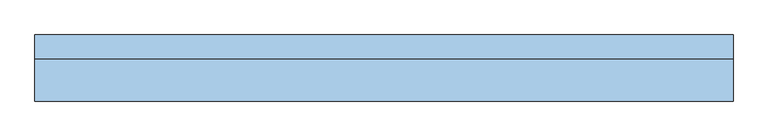
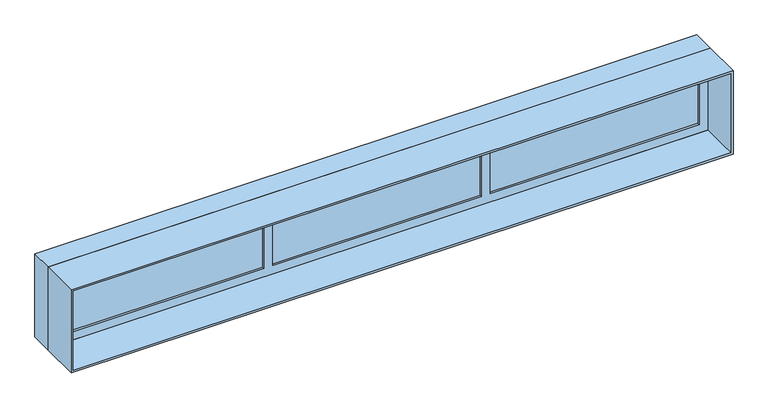
"""IFC4 building model written with IfcOpenShell, lengths in millimetres: window geometry."""

import ifcopenshell
import ifcopenshell.guid

model = None  # the IFC model being written
_history = None  # IfcOwnerHistory: only IFC2X3 demands one
_inside = {}  # id of a spatial element -> (the spatial element, [elements in it])
_under = {}  # id of a project, library or spatial element -> (it, [spatial elements below it])
_declared = {}  # id of a project -> (the project, [libraries it declares])
_typed = {}  # id of a type object -> (the type object, [elements of that type])
_made_of = {}  # id of a material, layer set ... -> (it, [elements and type objects made of it])


def new_model(schema):
    """Start an empty IFC model of exactly this schema.

    Asked for "IFC4X3", IfcOpenShell would pick the latest addendum, in which some entities
    have other attributes; the version numbers below select the first issue.
    IFC2X3 requires an IfcOwnerHistory on every rooted entity: one is made here for all.
    """
    global model, _history
    if schema == "IFC4X3":
        model = ifcopenshell.file(schema_version=(4, 3, 0, 0))
    else:
        model = ifcopenshell.file(schema=schema)
    _inside.clear()
    _under.clear()
    _declared.clear()
    _typed.clear()
    _made_of.clear()
    _history = None
    if model.schema == "IFC2X3":
        org = make("IfcOrganization", Name="unknown")
        user = make(
            "IfcPersonAndOrganization",
            ThePerson=make("IfcPerson", FamilyName="unknown"),
            TheOrganization=org,
        )
        app = make(
            "IfcApplication",
            ApplicationDeveloper=org,
            Version="unknown",
            ApplicationFullName="unknown",
            ApplicationIdentifier="unknown",
        )
        _history = make(
            "IfcOwnerHistory",
            OwningUser=user,
            OwningApplication=app,
            ChangeAction="ADDED",
            CreationDate=0,
        )
    return model


def make(cls, **values):
    """One entity of the class cls with the attributes given. An attribute that is None is left unset."""
    return model.create_entity(
        cls, **{name: value for name, value in values.items() if value is not None}
    )


def rooted(cls, **values):
    """An entity with a GlobalId (a new one), such as an element, a storey or a relation."""
    return make(cls, GlobalId=ifcopenshell.guid.new(), OwnerHistory=_history, **values)


def si_unit(unit_type, name, prefix=None):
    """IfcSIUnit, for example si_unit("LENGTHUNIT", "METRE", prefix="MILLI")."""
    return make("IfcSIUnit", UnitType=unit_type, Prefix=prefix, Name=name)


def assignment(units):
    """IfcUnitAssignment: the units of a project."""
    return None if units is None else make("IfcUnitAssignment", Units=units)


def point(xyz):
    """IfcCartesianPoint."""
    return None if xyz is None else make("IfcCartesianPoint", Coordinates=xyz)


def direction(xyz):
    """IfcDirection."""
    return None if xyz is None else make("IfcDirection", DirectionRatios=xyz)


def frame(location, z_axis=None, x_axis=None):
    """IfcAxis2Placement3D, a coordinate frame: its origin and axes. An axis left out is left unset."""
    return make(
        "IfcAxis2Placement3D",
        Location=point(location),
        Axis=direction(z_axis),
        RefDirection=direction(x_axis),
    )


def origin():
    """The frame at (0, 0, 0) with its axes left unset."""
    return frame((0.0, 0.0, 0.0))


def place(relative_to, where):
    """IfcLocalPlacement: puts the frame where relative to a parent placement (None: the world)."""
    return make(
        "IfcLocalPlacement", PlacementRelTo=relative_to, RelativePlacement=where
    )


def context(
    kind, dimensions, precision=None, world=None, true_north=None, identifier=None
):
    """IfcGeometricRepresentationContext, for example the 3D "Model" context."""
    return make(
        "IfcGeometricRepresentationContext",
        ContextIdentifier=identifier,
        ContextType=kind,
        CoordinateSpaceDimension=dimensions,
        Precision=precision,
        WorldCoordinateSystem=world,
        TrueNorth=true_north,
    )


def project(units=None, contexts=None):
    """IfcProject with its units and contexts."""
    return rooted(
        "IfcProject",
        Name="project",
        RepresentationContexts=contexts,
        UnitsInContext=assignment(units),
    )


def spatial(cls, under=None, at=None, **own):
    """A site, building, storey or space (cls), placed at a placement, below another one or the project."""
    s = rooted(cls, ObjectPlacement=at, **own)
    if under is not None:
        _under.setdefault(under.id(), (under, []))[1].append(s)
    return s


def polyline(points):
    """IfcPolyline through the points."""
    return make("IfcPolyline", Points=[point(p) for p in points])


def outline(outer, holes=None, kind="AREA"):
    """IfcArbitraryClosedProfileDef: a profile drawn as a closed curve; with holes, ...WithVoids."""
    if holes is None:
        return make("IfcArbitraryClosedProfileDef", ProfileType=kind, OuterCurve=outer)
    return make(
        "IfcArbitraryProfileDefWithVoids",
        ProfileType=kind,
        OuterCurve=outer,
        InnerCurves=holes,
    )


def extrude(swept, where, along, depth):
    """IfcExtrudedAreaSolid: the profile swept, set in the frame where, extruded along a direction by depth."""
    return make(
        "IfcExtrudedAreaSolid",
        SweptArea=swept,
        Position=where,
        ExtrudedDirection=direction(along),
        Depth=depth,
    )


def shape(context_of_items, identifier, shape_type, items):
    """IfcShapeRepresentation: the items that make up one representation, for example the "Body"."""
    return make(
        "IfcShapeRepresentation",
        ContextOfItems=context_of_items,
        RepresentationIdentifier=identifier,
        RepresentationType=shape_type,
        Items=items,
    )


def source(mapping_origin, context_of_items, identifier, shape_type, items):
    """IfcRepresentationMap: a shape defined once, which mapped items show again and again."""
    return make(
        "IfcRepresentationMap",
        MappingOrigin=mapping_origin,
        MappedRepresentation=shape(context_of_items, identifier, shape_type, items),
    )


def transform(
    local_origin,
    x_axis=None,
    y_axis=None,
    z_axis=None,
    scale=None,
    scale2=None,
    scale3=None,
    uniform=True,
):
    """IfcCartesianTransformationOperator3D, or its non-uniform kind. x_axis, y_axis, z_axis: its Axis1, 2, 3."""
    if uniform:
        return make(
            "IfcCartesianTransformationOperator3D",
            Axis1=direction(x_axis),
            Axis2=direction(y_axis),
            LocalOrigin=point(local_origin),
            Scale=scale,
            Axis3=direction(z_axis),
        )
    return make(
        "IfcCartesianTransformationOperator3DnonUniform",
        Axis1=direction(x_axis),
        Axis2=direction(y_axis),
        LocalOrigin=point(local_origin),
        Scale=scale,
        Axis3=direction(z_axis),
        Scale2=scale2,
        Scale3=scale3,
    )


def mapped(mapping_source, mapping_target):
    """IfcMappedItem: shows the shape of a source again, moved by a transform."""
    return make(
        "IfcMappedItem", MappingSource=mapping_source, MappingTarget=mapping_target
    )


def made_of(thing, what):
    """Note that an element or type object is made of a material, layer set ...; save() writes the relation."""
    if what is not None:
        _made_of.setdefault(what.id(), (what, []))[1].append(thing)
    return thing


def element(
    cls,
    number,
    at=None,
    inside=None,
    cuts=None,
    type_object=None,
    material=None,
    context=None,
    identifier="Body",
    shape_type=None,
    held_by="IfcProductDefinitionShape",
    body=None,
    shapes=None,
    **own,
):
    """One element of the class cls, such as IfcWall. Its Tag is "e" and its number.

    at: its placement. inside: the storey or other place that contains it. cuts: it is an
    opening in that element (IfcRelVoidsElement). A single representation is given by context,
    identifier, shape_type and body (its items); several are given by shapes. held_by: the class
    of the entity that holds the representations. save() writes the other relations.
    """
    e = rooted(cls, Tag="e%d" % number, ObjectPlacement=at, **own)
    if body is not None:
        shapes = [shape(context, identifier, shape_type, body)]
    if shapes is not None:
        e.Representation = make(held_by, Representations=shapes)
    if inside is not None:
        _inside.setdefault(inside.id(), (inside, []))[1].append(e)
    if cuts is not None:
        rooted(
            "IfcRelVoidsElement", RelatingBuildingElement=cuts, RelatedOpeningElement=e
        )
    if type_object is not None:
        _typed.setdefault(type_object.id(), (type_object, []))[1].append(e)
    return made_of(e, material)


def aggregate(whole, parts):
    """IfcRelAggregates: a whole, such as a stair, and the parts it consists of."""
    return rooted("IfcRelAggregates", RelatingObject=whole, RelatedObjects=parts)


def save(model, path):
    """Write the relations noted so far, then the file.

    IfcRelAggregates (storeys below a building ...), IfcRelContainedInSpatialStructure (elements
    in a storey), IfcRelDefinesByType, IfcRelAssociatesMaterial and IfcRelDeclares: one each for
    every whole, place, type object, material and project.
    """
    for whole, parts in _under.values():
        aggregate(whole, parts)
    for where, things in _inside.values():
        rooted(
            "IfcRelContainedInSpatialStructure",
            RelatedElements=things,
            RelatingStructure=where,
        )
    for kind, things in _typed.values():
        rooted("IfcRelDefinesByType", RelatedObjects=things, RelatingType=kind)
    for what, things in _made_of.values():
        rooted("IfcRelAssociatesMaterial", RelatedObjects=things, RelatingMaterial=what)
    for by, libraries in _declared.values():
        rooted("IfcRelDeclares", RelatingContext=by, RelatedDefinitions=libraries)
    model.write(path)


def window_d2a5ec6b(model_context):
    return source(origin(), model_context, "Body", "SweptSolid", [
        extrude(outline(polyline([(-786.6666667, 140.0), (-2180.0, 140.0), (-2180.0, 170.0), (-786.6666667, 170.0), (-786.6666667, 140.0)])), frame((0.0, 0.0, 875.0), z_axis=(0.0, 0.0, 1.0), x_axis=(1.0, 0.0, 0.0)), (0.0, 0.0, 1.0), 450.0),
        extrude(outline(polyline([(696.6666667, 140.0), (-726.6666667, 140.0), (-726.6666667, 170.0), (696.6666667, 170.0), (696.6666667, 140.0)])), frame((0.0, 0.0, 875.0), z_axis=(0.0, 0.0, 1.0), x_axis=(1.0, 0.0, 0.0)), (0.0, 0.0, 1.0), 450.0),
        extrude(outline(polyline([(2180.0, 140.0), (756.6666667, 140.0), (756.6666667, 170.0), (2180.0, 170.0), (2180.0, 140.0)])), frame((0.0, 0.0, 875.0), z_axis=(0.0, 0.0, 1.0), x_axis=(1.0, 0.0, 0.0)), (0.0, 0.0, 1.0), 450.0),
        extrude(outline(polyline([(1385.0, -2240.0), (815.0, -2240.0), (815.0, 2240.0), (1385.0, 2240.0), (1385.0, -2240.0)]), holes=[polyline([(1325.0, 756.6666667), (1325.0, 2180.0), (875.0, 2180.0), (875.0, 756.6666667), (1325.0, 756.6666667)]), polyline([(1325.0, -726.6666667), (1325.0, 696.6666667), (875.0, 696.6666667), (875.0, -726.6666667), (1325.0, -726.6666667)]), polyline([(1325.0, -2180.0), (1325.0, -786.6666667), (875.0, -786.6666667), (875.0, -2180.0), (1325.0, -2180.0)])]), frame((0.0, 125.0, 0.0), z_axis=(0.0, 1.0, 0.0), x_axis=(0.0, 0.0, 1.0)), (0.0, 0.0, 1.0), 60.0),
        extrude(outline(polyline([(1400.0, 2255.0), (1400.0, -2255.0), (800.0, -2255.0), (800.0, 2255.0), (1400.0, 2255.0)]), holes=[polyline([(815.0, 2240.0), (815.0, -2240.0), (1385.0, -2240.0), (1385.0, 2240.0), (815.0, 2240.0)])]), frame((0.0, -145.0, 0.0), z_axis=(0.0, 1.0, 0.0), x_axis=(0.0, 0.0, 1.0)), (0.0, 0.0, 1.0), 270.0),
        extrude(outline(polyline([(1400.0, -2255.0), (800.0, -2255.0), (800.0, 2255.0), (1400.0, 2255.0), (1400.0, -2255.0)]), holes=[polyline([(815.0, 2240.0), (815.0, -2240.0), (1385.0, -2240.0), (1385.0, 2240.0), (815.0, 2240.0)])]), frame((0.0, 125.0, 0.0), z_axis=(0.0, 1.0, 0.0), x_axis=(0.0, 0.0, 1.0)), (0.0, 0.0, 1.0), 157.1944969),
    ])


if __name__ == "__main__":
    model = new_model("IFC4")
    model_context = context("Model", 3, world=origin())
    ifc_project = project(units=[si_unit("LENGTHUNIT", "METRE", prefix="MILLI")], contexts=[model_context])
    site = spatial("IfcSite", under=ifc_project)
    building = spatial("IfcBuilding", under=site)
    placement = place(None, origin())
    window_shape = window_d2a5ec6b(model_context)
    element("IfcWindow", 1, at=placement, inside=building, context=model_context, shape_type="MappedRepresentation", body=[
        mapped(window_shape, transform((0.0, 0.0, 0.0), x_axis=(1.0, 0.0, 0.0), y_axis=(0.0, 1.0, 0.0), z_axis=(0.0, 0.0, 1.0))),
    ])
    save(model, "model.ifc")
